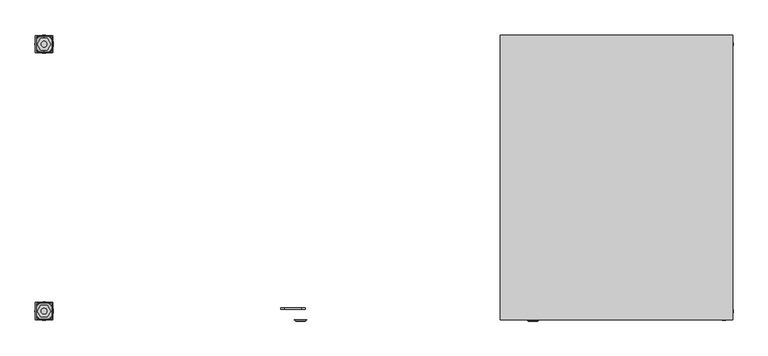
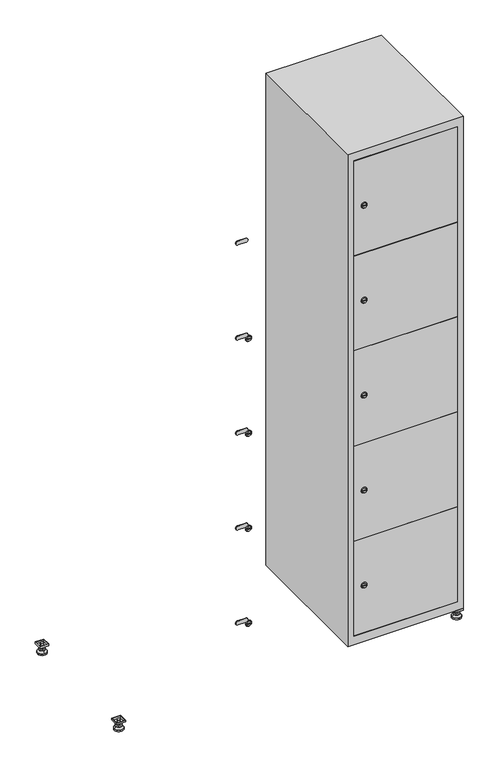
"""IFC4 building model written with IfcOpenShell, lengths in millimetres: furniture geometry."""

from ifc_helpers import new_model, si_unit, point, frame, frame_2d, origin, origin_with_axes, place, context, project, spatial, polyline, circle_curve, trimmed, segment, composite_curve, outline, extrude, faceted_brep, source, transform, mapped, element, save
from ifc_brep_helpers import plane_surface, revolved_surface, advanced_brep


def furniture_0592e2de(model_context):
    return source(origin(), model_context, "Body", "SolidModel", [
        extrude(outline(polyline([(1000.0, 245.0), (1000.0, 215.0), (970.0, 215.0), (970.0, 245.0), (1000.0, 245.0)]), holes=[polyline([(998.0, 243.0), (972.0, 243.0), (972.0, 217.0), (998.0, 217.0), (998.0, 243.0)])]), frame((0.0, 0.0, 28.5), z_axis=(0.0, 0.0, 1.0), x_axis=(1.0, 0.0, 0.0)), (0.0, 0.0, 1.0), 6.5),
        extrude(outline(polyline([(970.0, -245.0), (970.0, -215.0), (1000.0, -215.0), (1000.0, -245.0), (970.0, -245.0)]), holes=[polyline([(972.0, -243.0), (998.0, -243.0), (998.0, -217.0), (972.0, -217.0), (972.0, -243.0)])]), frame((0.0, 0.0, 28.5), z_axis=(0.0, 0.0, 1.0), x_axis=(1.0, 0.0, 0.0)), (0.0, 0.0, 1.0), 6.5),
        extrude(outline(polyline([(-170.0, 245.0), (-170.0, 215.0), (-200.0, 215.0), (-200.0, 245.0), (-170.0, 245.0)]), holes=[polyline([(-172.0, 243.0), (-198.0, 243.0), (-198.0, 217.0), (-172.0, 217.0), (-172.0, 243.0)])]), frame((0.0, 0.0, 28.5), z_axis=(0.0, 0.0, 1.0), x_axis=(1.0, 0.0, 0.0)), (0.0, 0.0, 1.0), 6.5),
        extrude(outline(polyline([(-170.0, -215.0), (-170.0, -245.0), (-200.0, -245.0), (-200.0, -215.0), (-170.0, -215.0)]), holes=[polyline([(-198.0, -243.0), (-172.0, -243.0), (-172.0, -217.0), (-198.0, -217.0), (-198.0, -243.0)])]), frame((0.0, 0.0, 28.5), z_axis=(0.0, 0.0, 1.0), x_axis=(1.0, 0.0, 0.0)), (0.0, 0.0, 1.0), 6.5),
        extrude(outline(composite_curve([segment(trimmed(circle_curve(frame_2d((-185.0, 230.0)), 5.0), [point((-180.0, 230.0))], [point((-190.0, 230.0))], False, "CARTESIAN"), True, "CONTINUOUS"), segment(trimmed(circle_curve(frame_2d((-185.0, 230.0)), 5.0), [point((-190.0, 230.0))], [point((-180.0, 230.0))], False, "CARTESIAN"), True, "CONTINUOUS")], self_intersect=False)), frame((0.0, 0.0, 19.6), z_axis=(0.0, 0.0, 1.0), x_axis=(1.0, 0.0, 0.0)), (0.0, 0.0, 1.0), 15.4),
        extrude(outline(composite_curve([segment(trimmed(circle_curve(frame_2d((-185.0, -230.0)), 5.0), [point((-180.0, -230.0))], [point((-190.0, -230.0))], False, "CARTESIAN"), True, "CONTINUOUS"), segment(trimmed(circle_curve(frame_2d((-185.0, -230.0)), 5.0), [point((-190.0, -230.0))], [point((-180.0, -230.0))], False, "CARTESIAN"), True, "CONTINUOUS")], self_intersect=False)), frame((0.0, 0.0, 19.6), z_axis=(0.0, 0.0, 1.0), x_axis=(1.0, 0.0, 0.0)), (0.0, 0.0, 1.0), 15.4),
        extrude(outline(composite_curve([segment(trimmed(circle_curve(frame_2d((985.0, 230.0)), 5.0), [point((990.0, 230.0))], [point((980.0, 230.0))], False, "CARTESIAN"), True, "CONTINUOUS"), segment(trimmed(circle_curve(frame_2d((985.0, 230.0)), 5.0), [point((980.0, 230.0))], [point((990.0, 230.0))], False, "CARTESIAN"), True, "CONTINUOUS")], self_intersect=False)), frame((0.0, 0.0, 19.6), z_axis=(0.0, 0.0, 1.0), x_axis=(1.0, 0.0, 0.0)), (0.0, 0.0, 1.0), 15.4),
        extrude(outline(polyline([(973.4529946, 230.0), (979.2264973, 240.0), (990.7735027, 240.0), (996.5470054, 230.0), (990.7735027, 220.0), (979.2264973, 220.0), (973.4529946, 230.0)])), frame((0.0, 0.0, 13.6), z_axis=(0.0, 0.0, 1.0), x_axis=(1.0, 0.0, 0.0)), (0.0, 0.0, 1.0), 6.0),
        extrude(outline(composite_curve([segment(trimmed(circle_curve(frame_2d((985.0, -230.0)), 5.0), [point((990.0, -230.0))], [point((980.0, -230.0))], False, "CARTESIAN"), True, "CONTINUOUS"), segment(trimmed(circle_curve(frame_2d((985.0, -230.0)), 5.0), [point((980.0, -230.0))], [point((990.0, -230.0))], False, "CARTESIAN"), True, "CONTINUOUS")], self_intersect=False)), frame((0.0, 0.0, 19.6), z_axis=(0.0, 0.0, 1.0), x_axis=(1.0, 0.0, 0.0)), (0.0, 0.0, 1.0), 15.4),
        extrude(outline(polyline([(973.4529946, -230.0), (979.2264973, -220.0), (990.7735027, -220.0), (996.5470054, -230.0), (990.7735027, -240.0), (979.2264973, -240.0), (973.4529946, -230.0)])), frame((0.0, 0.0, 13.6), z_axis=(0.0, 0.0, 1.0), x_axis=(1.0, 0.0, 0.0)), (0.0, 0.0, 1.0), 6.0),
        extrude(outline(composite_curve([segment(trimmed(circle_curve(frame_2d((985.0, 230.0)), 5.0), [point((990.0, 230.0))], [point((980.0, 230.0))], False, "CARTESIAN"), True, "CONTINUOUS"), segment(trimmed(circle_curve(frame_2d((985.0, 230.0)), 5.0), [point((980.0, 230.0))], [point((990.0, 230.0))], False, "CARTESIAN"), True, "CONTINUOUS")], self_intersect=False)), frame((0.0, 0.0, 12.1), z_axis=(0.0, 0.0, 1.0), x_axis=(1.0, 0.0, 0.0)), (0.0, 0.0, 1.0), 1.5),
        extrude(outline(composite_curve([segment(trimmed(circle_curve(frame_2d((985.0, -230.0)), 5.0), [point((990.0, -230.0))], [point((980.0, -230.0))], False, "CARTESIAN"), True, "CONTINUOUS"), segment(trimmed(circle_curve(frame_2d((985.0, -230.0)), 5.0), [point((980.0, -230.0))], [point((990.0, -230.0))], False, "CARTESIAN"), True, "CONTINUOUS")], self_intersect=False)), frame((0.0, 0.0, 12.1), z_axis=(0.0, 0.0, 1.0), x_axis=(1.0, 0.0, 0.0)), (0.0, 0.0, 1.0), 1.5),
        extrude(outline(polyline([(-196.5470054, 230.0), (-190.7735027, 240.0), (-179.2264973, 240.0), (-173.4529946, 230.0), (-179.2264973, 220.0), (-190.7735027, 220.0), (-196.5470054, 230.0)])), frame((0.0, 0.0, 13.6), z_axis=(0.0, 0.0, 1.0), x_axis=(1.0, 0.0, 0.0)), (0.0, 0.0, 1.0), 6.0),
        extrude(outline(polyline([(-196.5470054, -230.0), (-190.7735027, -220.0), (-179.2264973, -220.0), (-173.4529946, -230.0), (-179.2264973, -240.0), (-190.7735027, -240.0), (-196.5470054, -230.0)])), frame((0.0, 0.0, 13.6), z_axis=(0.0, 0.0, 1.0), x_axis=(1.0, 0.0, 0.0)), (0.0, 0.0, 1.0), 6.0),
        extrude(outline(composite_curve([segment(trimmed(circle_curve(frame_2d((-185.0, 230.0)), 5.0), [point((-185.0, 235.0))], [point((-185.0, 225.0))], False, "CARTESIAN"), True, "CONTINUOUS"), segment(trimmed(circle_curve(frame_2d((-185.0, 230.0)), 5.0), [point((-185.0, 225.0))], [point((-185.0, 235.0))], False, "CARTESIAN"), True, "CONTINUOUS")], self_intersect=False)), frame((0.0, 0.0, 12.1), z_axis=(0.0, 0.0, 1.0), x_axis=(1.0, 0.0, 0.0)), (0.0, 0.0, 1.0), 1.5),
        extrude(outline(composite_curve([segment(trimmed(circle_curve(frame_2d((-185.0, -230.0)), 5.0), [point((-180.0, -230.0))], [point((-190.0, -230.0))], False, "CARTESIAN"), True, "CONTINUOUS"), segment(trimmed(circle_curve(frame_2d((-185.0, -230.0)), 5.0), [point((-190.0, -230.0))], [point((-180.0, -230.0))], False, "CARTESIAN"), True, "CONTINUOUS")], self_intersect=False)), frame((0.0, 0.0, 12.1), z_axis=(0.0, 0.0, 1.0), x_axis=(1.0, 0.0, 0.0)), (0.0, 0.0, 1.0), 1.5),
        extrude(outline(composite_curve([segment(trimmed(circle_curve(frame_2d((985.0, 230.0)), 15.75), [point((1000.75, 230.0))], [point((969.25, 230.0))], False, "CARTESIAN"), True, "CONTINUOUS"), segment(trimmed(circle_curve(frame_2d((985.0, 230.0)), 15.75), [point((969.25, 230.0))], [point((1000.75, 230.0))], False, "CARTESIAN"), True, "CONTINUOUS")], self_intersect=False)), origin_with_axes(), (0.0, 0.0, 1.0), 5.1),
        extrude(outline(composite_curve([segment(trimmed(circle_curve(frame_2d((985.0, -230.0)), 15.75), [point((985.0, -214.25))], [point((985.0, -245.75))], False, "CARTESIAN"), True, "CONTINUOUS"), segment(trimmed(circle_curve(frame_2d((985.0, -230.0)), 15.75), [point((985.0, -245.75))], [point((985.0, -214.25))], False, "CARTESIAN"), True, "CONTINUOUS")], self_intersect=False)), origin_with_axes(), (0.0, 0.0, 1.0), 5.1),
        extrude(outline(composite_curve([segment(trimmed(circle_curve(frame_2d((-185.0, -230.0)), 15.75), [point((-169.25, -230.0))], [point((-200.75, -230.0))], False, "CARTESIAN"), True, "CONTINUOUS"), segment(trimmed(circle_curve(frame_2d((-185.0, -230.0)), 15.75), [point((-200.75, -230.0))], [point((-169.25, -230.0))], False, "CARTESIAN"), True, "CONTINUOUS")], self_intersect=False)), origin_with_axes(), (0.0, 0.0, 1.0), 5.1),
        extrude(outline(composite_curve([segment(trimmed(circle_curve(frame_2d((-185.0, 230.0)), 15.75), [point((-169.25, 230.0))], [point((-200.75, 230.0))], False, "CARTESIAN"), True, "CONTINUOUS"), segment(trimmed(circle_curve(frame_2d((-185.0, 230.0)), 15.75), [point((-200.75, 230.0))], [point((-169.25, 230.0))], False, "CARTESIAN"), True, "CONTINUOUS")], self_intersect=False)), origin_with_axes(), (0.0, 0.0, 1.0), 5.1),
        advanced_brep(
        [(-185.0, 245.75, 5.1), (-185.0, 214.25, 5.1), (-185.0, 239.5, 12.1), (-185.0, 220.5, 12.1)],
        [
            (0, 1, circle_curve(frame((-185.0, 230.0, 5.1), z_axis=(0.0, 0.0, -1.0), x_axis=(0.0, 1.0, 0.0)), 15.75)),
            (1, 0, circle_curve(frame((-185.0, 230.0, 5.1), z_axis=(0.0, 0.0, -1.0), x_axis=(0.0, -1.0, 0.0)), 15.75)),
            (2, 3, circle_curve(frame((-185.0, 230.0, 12.1), z_axis=(0.0, 0.0, 1.0), x_axis=(0.0, -1.0, 0.0)), 9.5)),
            (3, 2, circle_curve(frame((-185.0, 230.0, 12.1), z_axis=(0.0, 0.0, 1.0), x_axis=(0.0, 1.0, 0.0)), 9.5)),
            (3, 1),
            (0, 2),
        ],
        [
            plane_surface(frame((-185.0, 230.0, 5.1), z_axis=(0.0, 0.0, -1.0), x_axis=(1.0, 0.0, 0.0))),
            plane_surface(frame((-185.0, 230.0, 12.1), z_axis=(0.0, 0.0, 1.0), x_axis=(1.0, 0.0, 0.0))),
            revolved_surface(polyline([(-185.0, 220.5, 12.099999999999998), (-185.0, 214.25, 5.099999999999998)]), (-185.0, 230.0, 22.74), (0.0, 0.0, -1.0)),
            revolved_surface(polyline([(-185.0, 239.5, 12.099999999999998), (-185.0, 245.75, 5.099999999999998)]), (-185.0, 230.0, 22.74), (0.0, 0.0, -1.0)),
        ],
        [
            (0, [[1, 2]]),
            (1, [[3, 4]]),
            (2, [[-4, 5, -1, 6]]),
            (3, [[-3, -6, -2, -5]]),
        ],
    ),
        advanced_brep(
        [(985.0, 245.75, 5.1), (985.0, 214.25, 5.1), (985.0, 239.5, 12.1), (985.0, 220.5, 12.1)],
        [
            (0, 1, circle_curve(frame((985.0, 230.0, 5.1), z_axis=(0.0, 0.0, -1.0), x_axis=(0.0, 1.0, 0.0)), 15.75)),
            (1, 0, circle_curve(frame((985.0, 230.0, 5.1), z_axis=(0.0, 0.0, -1.0), x_axis=(0.0, -1.0, 0.0)), 15.75)),
            (2, 3, circle_curve(frame((985.0, 230.0, 12.1), z_axis=(0.0, 0.0, 1.0), x_axis=(0.0, -1.0, 0.0)), 9.5)),
            (3, 2, circle_curve(frame((985.0, 230.0, 12.1), z_axis=(0.0, 0.0, 1.0), x_axis=(0.0, 1.0, 0.0)), 9.5)),
            (3, 1),
            (0, 2),
        ],
        [
            plane_surface(frame((985.0, 230.0, 5.1), z_axis=(0.0, 0.0, -1.0), x_axis=(1.0, 0.0, 0.0))),
            plane_surface(frame((985.0, 230.0, 12.1), z_axis=(0.0, 0.0, 1.0), x_axis=(1.0, 0.0, 0.0))),
            revolved_surface(polyline([(985.0, 220.5, 12.099999999999998), (985.0, 214.25, 5.099999999999998)]), (985.0, 230.0, 22.74), (0.0, 0.0, -1.0)),
            revolved_surface(polyline([(985.0, 239.5, 12.099999999999998), (985.0, 245.75, 5.099999999999998)]), (985.0, 230.0, 22.74), (0.0, 0.0, -1.0)),
        ],
        [
            (0, [[1, 2]]),
            (1, [[3, 4]]),
            (2, [[-4, 5, -1, 6]]),
            (3, [[-3, -6, -2, -5]]),
        ],
    ),
        advanced_brep(
        [(994.5, -230.0, 12.1), (975.5, -230.0, 12.1), (1000.75, -230.0, 5.1), (969.25, -230.0, 5.1)],
        [
            (0, 1, circle_curve(frame((985.0, -230.0, 12.1), z_axis=(0.0, 0.0, 1.0), x_axis=(1.0, 0.0, 0.0)), 9.5)),
            (1, 0, circle_curve(frame((985.0, -230.0, 12.1), z_axis=(0.0, 0.0, 1.0), x_axis=(-1.0, 0.0, 0.0)), 9.5)),
            (2, 3, circle_curve(frame((985.0, -230.0, 5.1), z_axis=(0.0, 0.0, -1.0), x_axis=(-1.0, 0.0, 0.0)), 15.75)),
            (3, 2, circle_curve(frame((985.0, -230.0, 5.1), z_axis=(0.0, 0.0, -1.0), x_axis=(1.0, 0.0, 0.0)), 15.75)),
            (3, 1),
            (0, 2),
        ],
        [
            plane_surface(frame((985.0, -230.0, 12.1), z_axis=(0.0, 0.0, 1.0), x_axis=(0.0, 1.0, 0.0))),
            plane_surface(frame((985.0, -230.0, 5.1), z_axis=(0.0, 0.0, -1.0), x_axis=(0.0, 1.0, 0.0))),
            revolved_surface(polyline([(994.5, -230.0, 12.099999999999998), (1000.75, -230.0, 5.099999999999998)]), (985.0, -230.0, 22.74), (0.0, 0.0, -1.0)),
            revolved_surface(polyline([(975.5, -230.0, 12.099999999999998), (969.25, -230.0, 5.099999999999998)]), (985.0, -230.0, 22.74), (0.0, 0.0, -1.0)),
        ],
        [
            (0, [[1, 2]]),
            (1, [[3, 4]]),
            (2, [[-4, 5, -1, 6]]),
            (3, [[-3, -6, -2, -5]]),
        ],
    ),
        advanced_brep(
        [(-175.5, -230.0, 12.1), (-194.5, -230.0, 12.1), (-169.25, -230.0, 5.1), (-200.75, -230.0, 5.1)],
        [
            (0, 1, circle_curve(frame((-185.0, -230.0, 12.1), z_axis=(0.0, 0.0, 1.0), x_axis=(1.0, 0.0, 0.0)), 9.5)),
            (1, 0, circle_curve(frame((-185.0, -230.0, 12.1), z_axis=(0.0, 0.0, 1.0), x_axis=(-1.0, 0.0, 0.0)), 9.5)),
            (2, 3, circle_curve(frame((-185.0, -230.0, 5.1), z_axis=(0.0, 0.0, -1.0), x_axis=(-1.0, 0.0, 0.0)), 15.75)),
            (3, 2, circle_curve(frame((-185.0, -230.0, 5.1), z_axis=(0.0, 0.0, -1.0), x_axis=(1.0, 0.0, 0.0)), 15.75)),
            (3, 1),
            (0, 2),
        ],
        [
            plane_surface(frame((-185.0, -230.0, 12.1), z_axis=(0.0, 0.0, 1.0), x_axis=(0.0, 1.0, 0.0))),
            plane_surface(frame((-185.0, -230.0, 5.1), z_axis=(0.0, 0.0, -1.0), x_axis=(0.0, 1.0, 0.0))),
            revolved_surface(polyline([(-175.5, -230.0, 12.099999999999998), (-169.25, -230.0, 5.099999999999998)]), (-185.0, -230.0, 22.74), (0.0, 0.0, -1.0)),
            revolved_surface(polyline([(-194.5, -230.0, 12.099999999999998), (-200.75, -230.0, 5.099999999999998)]), (-185.0, -230.0, 22.74), (0.0, 0.0, -1.0)),
        ],
        [
            (0, [[1, 2]]),
            (1, [[3, 4]]),
            (2, [[-4, 5, -1, 6]]),
            (3, [[-3, -6, -2, -5]]),
        ],
    ),
        extrude(outline(composite_curve([segment(trimmed(circle_curve(frame_2d((239.96, 629.6010534)), 7.0), [point((246.96, 629.6010534))], [point((232.96, 629.6010534))], False, "CARTESIAN"), True, "CONTINUOUS"), segment(polyline([(232.96, 629.6010534), (232.96, 657.6010534)]), True, "CONTINUOUS"), segment(trimmed(circle_curve(frame_2d((239.96, 657.6010534)), 7.0), [point((232.96, 657.6010534))], [point((246.96, 657.6010534))], False, "CARTESIAN"), True, "CONTINUOUS"), segment(polyline([(246.96, 657.6010534), (246.96, 629.6010534)]), True, "CONTINUOUS")], self_intersect=False)), frame((0.0, -227.0, 0.0), z_axis=(0.0, 1.0, 0.0), x_axis=(0.0, 0.0, 1.0)), (0.0, 0.0, 1.0), 2.0),
        advanced_brep(
        [(664.9, -247.2, 239.96), (647.9, -247.2, 239.96), (651.4, -247.2, 238.71), (651.4, -247.2, 241.21), (661.4, -247.2, 241.21), (661.4, -247.2, 238.71), (666.9, -245.0, 239.96), (645.9, -245.0, 239.96), (651.4, -245.0, 241.21), (651.4, -245.0, 238.71), (661.4, -245.0, 238.71), (661.4, -245.0, 241.21)],
        [
            (0, 1, circle_curve(frame((656.4, -247.2, 239.96), z_axis=(0.0, -1.0, 0.0), x_axis=(1.0, 0.0, 0.0)), 8.5)),
            (1, 0, circle_curve(frame((656.4, -247.2, 239.96), z_axis=(0.0, -1.0, 0.0), x_axis=(-1.0, 0.0, 0.0)), 8.5)),
            (2, 3),
            (3, 4),
            (4, 5),
            (5, 2),
            (6, 7, circle_curve(frame((656.4, -245.0, 239.96), z_axis=(0.0, 1.0, 0.0), x_axis=(-1.0, 0.0, 0.0)), 10.5)),
            (7, 6, circle_curve(frame((656.4, -245.0, 239.96), z_axis=(0.0, 1.0, 0.0), x_axis=(1.0, 0.0, 0.0)), 10.5)),
            (8, 9),
            (9, 10),
            (10, 11),
            (11, 8),
            (0, 6),
            (7, 1),
            (8, 3),
            (2, 9),
            (11, 4),
            (10, 5),
        ],
        [
            plane_surface(frame((656.4, -247.2, 239.96), z_axis=(0.0, -1.0, 0.0), x_axis=(0.0, 0.0, 1.0))),
            plane_surface(frame((656.4, -245.0, 239.96), z_axis=(0.0, 1.0, 0.0), x_axis=(0.0, 0.0, 1.0))),
            revolved_surface(polyline([(664.9, -247.2, 239.96), (666.9, -245.0, 239.96)]), (656.4, -256.55, 239.96), (0.0, 1.0, 0.0)),
            revolved_surface(polyline([(647.9, -247.2, 239.96), (645.9, -245.0, 239.96)]), (656.4, -256.55, 239.96), (0.0, 1.0, 0.0)),
            plane_surface(frame((651.4, -245.0, 238.71), z_axis=(1.0, 0.0, 0.0), x_axis=(0.0, -1.0, 0.0))),
            plane_surface(frame((651.4, -245.0, 241.21), z_axis=(0.0, 0.0, -1.0), x_axis=(0.0, -1.0, 0.0))),
            plane_surface(frame((661.4, -245.0, 241.21), z_axis=(-1.0, 0.0, 0.0), x_axis=(0.0, -1.0, 0.0))),
            plane_surface(frame((661.4, -245.0, 238.71), z_axis=(0.0, 0.0, 1.0), x_axis=(0.0, -1.0, 0.0))),
        ],
        [
            (0, [[1, 2], [3, 4, 5, 6]]),
            (1, [[7, 8], [9, 10, 11, 12]]),
            (2, [[-1, 13, -8, 14]]),
            (3, [[-2, -14, -7, -13]]),
            (4, [[15, -3, 16, -9]]),
            (5, [[-15, -12, 17, -4]]),
            (6, [[-17, -11, 18, -5]]),
            (7, [[-16, -6, -18, -10]]),
        ],
    ),
        extrude(outline(composite_curve([segment(trimmed(circle_curve(frame_2d((587.48, 629.6010534)), 7.0), [point((594.48, 629.6010534))], [point((580.48, 629.6010534))], False, "CARTESIAN"), True, "CONTINUOUS"), segment(polyline([(580.48, 629.6010534), (580.48, 657.6010534)]), True, "CONTINUOUS"), segment(trimmed(circle_curve(frame_2d((587.48, 657.6010534)), 7.0), [point((580.48, 657.6010534))], [point((594.48, 657.6010534))], False, "CARTESIAN"), True, "CONTINUOUS"), segment(polyline([(594.48, 657.6010534), (594.48, 629.6010534)]), True, "CONTINUOUS")], self_intersect=False)), frame((0.0, -227.0, 0.0), z_axis=(0.0, 1.0, 0.0), x_axis=(0.0, 0.0, 1.0)), (0.0, 0.0, 1.0), 2.0),
        advanced_brep(
        [(664.9, -247.2, 587.48), (647.9, -247.2, 587.48), (651.4, -247.2, 586.23), (651.4, -247.2, 588.73), (661.4, -247.2, 588.73), (661.4, -247.2, 586.23), (666.9, -245.0, 587.48), (645.9, -245.0, 587.48), (651.4, -245.0, 588.73), (651.4, -245.0, 586.23), (661.4, -245.0, 586.23), (661.4, -245.0, 588.73)],
        [
            (0, 1, circle_curve(frame((656.4, -247.2, 587.48), z_axis=(0.0, -1.0, 0.0), x_axis=(1.0, 0.0, 0.0)), 8.5)),
            (1, 0, circle_curve(frame((656.4, -247.2, 587.48), z_axis=(0.0, -1.0, 0.0), x_axis=(-1.0, 0.0, 0.0)), 8.5)),
            (2, 3),
            (3, 4),
            (4, 5),
            (5, 2),
            (6, 7, circle_curve(frame((656.4, -245.0, 587.48), z_axis=(0.0, 1.0, 0.0), x_axis=(-1.0, 0.0, 0.0)), 10.5)),
            (7, 6, circle_curve(frame((656.4, -245.0, 587.48), z_axis=(0.0, 1.0, 0.0), x_axis=(1.0, 0.0, 0.0)), 10.5)),
            (8, 9),
            (9, 10),
            (10, 11),
            (11, 8),
            (0, 6),
            (7, 1),
            (8, 3),
            (2, 9),
            (11, 4),
            (10, 5),
        ],
        [
            plane_surface(frame((656.4, -247.2, 587.48), z_axis=(0.0, -1.0, 0.0), x_axis=(0.0, 0.0, 1.0))),
            plane_surface(frame((656.4, -245.0, 587.48), z_axis=(0.0, 1.0, 0.0), x_axis=(0.0, 0.0, 1.0))),
            revolved_surface(polyline([(664.9, -247.2, 587.48), (666.9, -245.0, 587.48)]), (656.4, -256.55, 587.48), (0.0, 1.0, 0.0)),
            revolved_surface(polyline([(647.9, -247.2, 587.48), (645.9, -245.0, 587.48)]), (656.4, -256.55, 587.48), (0.0, 1.0, 0.0)),
            plane_surface(frame((651.4, -245.0, 586.23), z_axis=(1.0, 0.0, 0.0), x_axis=(0.0, -1.0, 0.0))),
            plane_surface(frame((651.4, -245.0, 588.73), z_axis=(0.0, 0.0, -1.0), x_axis=(0.0, -1.0, 0.0))),
            plane_surface(frame((661.4, -245.0, 588.73), z_axis=(-1.0, 0.0, 0.0), x_axis=(0.0, -1.0, 0.0))),
            plane_surface(frame((661.4, -245.0, 586.23), z_axis=(0.0, 0.0, 1.0), x_axis=(0.0, -1.0, 0.0))),
        ],
        [
            (0, [[1, 2], [3, 4, 5, 6]]),
            (1, [[7, 8], [9, 10, 11, 12]]),
            (2, [[-1, 13, -8, 14]]),
            (3, [[-2, -14, -7, -13]]),
            (4, [[15, -3, 16, -9]]),
            (5, [[-15, -12, 17, -4]]),
            (6, [[-17, -11, 18, -5]]),
            (7, [[-16, -6, -18, -10]]),
        ],
    ),
        extrude(outline(composite_curve([segment(trimmed(circle_curve(frame_2d((935.0, 629.6010534)), 7.0), [point((942.0, 629.6010534))], [point((928.0, 629.6010534))], False, "CARTESIAN"), True, "CONTINUOUS"), segment(polyline([(928.0, 629.6010534), (928.0, 657.6010534)]), True, "CONTINUOUS"), segment(trimmed(circle_curve(frame_2d((935.0, 657.6010534)), 7.0), [point((928.0, 657.6010534))], [point((942.0, 657.6010534))], False, "CARTESIAN"), True, "CONTINUOUS"), segment(polyline([(942.0, 657.6010534), (942.0, 629.6010534)]), True, "CONTINUOUS")], self_intersect=False)), frame((0.0, -227.0, 0.0), z_axis=(0.0, 1.0, 0.0), x_axis=(0.0, 0.0, 1.0)), (0.0, 0.0, 1.0), 2.0),
        advanced_brep(
        [(664.9, -247.2, 935.0), (647.9, -247.2, 935.0), (651.4, -247.2, 933.75), (651.4, -247.2, 936.25), (661.4, -247.2, 936.25), (661.4, -247.2, 933.75), (666.9, -245.0, 935.0), (645.9, -245.0, 935.0), (651.4, -245.0, 936.25), (651.4, -245.0, 933.75), (661.4, -245.0, 933.75), (661.4, -245.0, 936.25)],
        [
            (0, 1, circle_curve(frame((656.4, -247.2, 935.0), z_axis=(0.0, -1.0, 0.0), x_axis=(1.0, 0.0, 0.0)), 8.5)),
            (1, 0, circle_curve(frame((656.4, -247.2, 935.0), z_axis=(0.0, -1.0, 0.0), x_axis=(-1.0, 0.0, 0.0)), 8.5)),
            (2, 3),
            (3, 4),
            (4, 5),
            (5, 2),
            (6, 7, circle_curve(frame((656.4, -245.0, 935.0), z_axis=(0.0, 1.0, 0.0), x_axis=(-1.0, 0.0, 0.0)), 10.5)),
            (7, 6, circle_curve(frame((656.4, -245.0, 935.0), z_axis=(0.0, 1.0, 0.0), x_axis=(1.0, 0.0, 0.0)), 10.5)),
            (8, 9),
            (9, 10),
            (10, 11),
            (11, 8),
            (0, 6),
            (7, 1),
            (8, 3),
            (2, 9),
            (11, 4),
            (10, 5),
        ],
        [
            plane_surface(frame((656.4, -247.2, 935.0), z_axis=(0.0, -1.0, 0.0), x_axis=(0.0, 0.0, 1.0))),
            plane_surface(frame((656.4, -245.0, 935.0), z_axis=(0.0, 1.0, 0.0), x_axis=(0.0, 0.0, 1.0))),
            revolved_surface(polyline([(664.9, -247.2, 935.0), (666.9, -245.0, 935.0)]), (656.4, -256.55, 935.0), (0.0, 1.0, 0.0)),
            revolved_surface(polyline([(647.9, -247.2, 935.0), (645.9, -245.0, 935.0)]), (656.4, -256.55, 935.0), (0.0, 1.0, 0.0)),
            plane_surface(frame((651.4, -245.0, 933.75), z_axis=(1.0, 0.0, 0.0), x_axis=(0.0, -1.0, 0.0))),
            plane_surface(frame((651.4, -245.0, 936.25), z_axis=(0.0, 0.0, -1.0), x_axis=(0.0, -1.0, 0.0))),
            plane_surface(frame((661.4, -245.0, 936.25), z_axis=(-1.0, 0.0, 0.0), x_axis=(0.0, -1.0, 0.0))),
            plane_surface(frame((661.4, -245.0, 933.75), z_axis=(0.0, 0.0, 1.0), x_axis=(0.0, -1.0, 0.0))),
        ],
        [
            (0, [[1, 2], [3, 4, 5, 6]]),
            (1, [[7, 8], [9, 10, 11, 12]]),
            (2, [[-1, 13, -8, 14]]),
            (3, [[-2, -14, -7, -13]]),
            (4, [[15, -3, 16, -9]]),
            (5, [[-15, -12, 17, -4]]),
            (6, [[-17, -11, 18, -5]]),
            (7, [[-16, -6, -18, -10]]),
        ],
    ),
        extrude(outline(composite_curve([segment(trimmed(circle_curve(frame_2d((1282.52, 629.6010534)), 7.0), [point((1289.52, 629.6010534))], [point((1275.52, 629.6010534))], False, "CARTESIAN"), True, "CONTINUOUS"), segment(polyline([(1275.52, 629.6010534), (1275.52, 657.6010534)]), True, "CONTINUOUS"), segment(trimmed(circle_curve(frame_2d((1282.52, 657.6010534)), 7.0), [point((1275.52, 657.6010534))], [point((1289.52, 657.6010534))], False, "CARTESIAN"), True, "CONTINUOUS"), segment(polyline([(1289.52, 657.6010534), (1289.52, 629.6010534)]), True, "CONTINUOUS")], self_intersect=False)), frame((0.0, -227.0, 0.0), z_axis=(0.0, 1.0, 0.0), x_axis=(0.0, 0.0, 1.0)), (0.0, 0.0, 1.0), 2.0),
        advanced_brep(
        [(664.9, -247.2, 1282.52), (647.9, -247.2, 1282.52), (651.4, -247.2, 1281.27), (651.4, -247.2, 1283.77), (661.4, -247.2, 1283.77), (661.4, -247.2, 1281.27), (666.9, -245.0, 1282.52), (645.9, -245.0, 1282.52), (651.4, -245.0, 1283.77), (651.4, -245.0, 1281.27), (661.4, -245.0, 1281.27), (661.4, -245.0, 1283.77)],
        [
            (0, 1, circle_curve(frame((656.4, -247.2, 1282.52), z_axis=(0.0, -1.0, 0.0), x_axis=(1.0, 0.0, 0.0)), 8.5)),
            (1, 0, circle_curve(frame((656.4, -247.2, 1282.52), z_axis=(0.0, -1.0, 0.0), x_axis=(-1.0, 0.0, 0.0)), 8.5)),
            (2, 3),
            (3, 4),
            (4, 5),
            (5, 2),
            (6, 7, circle_curve(frame((656.4, -245.0, 1282.52), z_axis=(0.0, 1.0, 0.0), x_axis=(-1.0, 0.0, 0.0)), 10.5)),
            (7, 6, circle_curve(frame((656.4, -245.0, 1282.52), z_axis=(0.0, 1.0, 0.0), x_axis=(1.0, 0.0, 0.0)), 10.5)),
            (8, 9),
            (9, 10),
            (10, 11),
            (11, 8),
            (0, 6),
            (7, 1),
            (8, 3),
            (2, 9),
            (11, 4),
            (10, 5),
        ],
        [
            plane_surface(frame((656.4, -247.2, 1282.52), z_axis=(0.0, -1.0, 0.0), x_axis=(0.0, 0.0, 1.0))),
            plane_surface(frame((656.4, -245.0, 1282.52), z_axis=(0.0, 1.0, 0.0), x_axis=(0.0, 0.0, 1.0))),
            revolved_surface(polyline([(664.9, -247.2, 1282.52), (666.9, -245.0, 1282.52)]), (656.4, -256.55, 1282.52), (0.0, 1.0, 0.0)),
            revolved_surface(polyline([(647.9, -247.2, 1282.52), (645.9, -245.0, 1282.52)]), (656.4, -256.55, 1282.52), (0.0, 1.0, 0.0)),
            plane_surface(frame((651.4, -245.0, 1281.27), z_axis=(1.0, 0.0, 0.0), x_axis=(0.0, -1.0, 0.0))),
            plane_surface(frame((651.4, -245.0, 1283.77), z_axis=(0.0, 0.0, -1.0), x_axis=(0.0, -1.0, 0.0))),
            plane_surface(frame((661.4, -245.0, 1283.77), z_axis=(-1.0, 0.0, 0.0), x_axis=(0.0, -1.0, 0.0))),
            plane_surface(frame((661.4, -245.0, 1281.27), z_axis=(0.0, 0.0, 1.0), x_axis=(0.0, -1.0, 0.0))),
        ],
        [
            (0, [[1, 2], [3, 4, 5, 6]]),
            (1, [[7, 8], [9, 10, 11, 12]]),
            (2, [[-1, 13, -8, 14]]),
            (3, [[-2, -14, -7, -13]]),
            (4, [[15, -3, 16, -9]]),
            (5, [[-15, -12, 17, -4]]),
            (6, [[-17, -11, 18, -5]]),
            (7, [[-16, -6, -18, -10]]),
        ],
    ),
        extrude(outline(composite_curve([segment(trimmed(circle_curve(frame_2d((1630.04, 629.6010534)), 7.0), [point((1637.04, 629.6010534))], [point((1623.04, 629.6010534))], False, "CARTESIAN"), True, "CONTINUOUS"), segment(polyline([(1623.04, 629.6010534), (1623.04, 657.6010534)]), True, "CONTINUOUS"), segment(trimmed(circle_curve(frame_2d((1630.04, 657.6010534)), 7.0), [point((1623.04, 657.6010534))], [point((1637.04, 657.6010534))], False, "CARTESIAN"), True, "CONTINUOUS"), segment(polyline([(1637.04, 657.6010534), (1637.04, 629.6010534)]), True, "CONTINUOUS")], self_intersect=False)), frame((0.0, -227.0, 0.0), z_axis=(0.0, 1.0, 0.0), x_axis=(0.0, 0.0, 1.0)), (0.0, 0.0, 1.0), 2.0),
        advanced_brep(
        [(664.9, -247.2, 1630.04), (647.9, -247.2, 1630.04), (651.4, -247.2, 1628.79), (651.4, -247.2, 1631.29), (661.4, -247.2, 1631.29), (661.4, -247.2, 1628.79), (666.9, -245.0, 1630.04), (645.9, -245.0, 1630.04), (651.4, -245.0, 1631.29), (651.4, -245.0, 1628.79), (661.4, -245.0, 1628.79), (661.4, -245.0, 1631.29)],
        [
            (0, 1, circle_curve(frame((656.4, -247.2, 1630.04), z_axis=(0.0, -1.0, 0.0), x_axis=(1.0, 0.0, 0.0)), 8.5)),
            (1, 0, circle_curve(frame((656.4, -247.2, 1630.04), z_axis=(0.0, -1.0, 0.0), x_axis=(-1.0, 0.0, 0.0)), 8.5)),
            (2, 3),
            (3, 4),
            (4, 5),
            (5, 2),
            (6, 7, circle_curve(frame((656.4, -245.0, 1630.04), z_axis=(0.0, 1.0, 0.0), x_axis=(-1.0, 0.0, 0.0)), 10.5)),
            (7, 6, circle_curve(frame((656.4, -245.0, 1630.04), z_axis=(0.0, 1.0, 0.0), x_axis=(1.0, 0.0, 0.0)), 10.5)),
            (8, 9),
            (9, 10),
            (10, 11),
            (11, 8),
            (0, 6),
            (7, 1),
            (8, 3),
            (2, 9),
            (11, 4),
            (10, 5),
        ],
        [
            plane_surface(frame((656.4, -247.2, 1630.04), z_axis=(0.0, -1.0, 0.0), x_axis=(0.0, 0.0, 1.0))),
            plane_surface(frame((656.4, -245.0, 1630.04), z_axis=(0.0, 1.0, 0.0), x_axis=(0.0, 0.0, 1.0))),
            revolved_surface(polyline([(664.9, -247.2, 1630.04), (666.9, -245.0, 1630.04)]), (656.4, -256.55, 1630.04), (0.0, 1.0, 0.0)),
            revolved_surface(polyline([(647.9, -247.2, 1630.04), (645.9, -245.0, 1630.04)]), (656.4, -256.55, 1630.04), (0.0, 1.0, 0.0)),
            plane_surface(frame((651.4, -245.0, 1628.79), z_axis=(1.0, 0.0, 0.0), x_axis=(0.0, -1.0, 0.0))),
            plane_surface(frame((651.4, -245.0, 1631.29), z_axis=(0.0, 0.0, -1.0), x_axis=(0.0, -1.0, 0.0))),
            plane_surface(frame((661.4, -245.0, 1631.29), z_axis=(-1.0, 0.0, 0.0), x_axis=(0.0, -1.0, 0.0))),
            plane_surface(frame((661.4, -245.0, 1628.79), z_axis=(0.0, 0.0, 1.0), x_axis=(0.0, -1.0, 0.0))),
        ],
        [
            (0, [[1, 2], [3, 4, 5, 6]]),
            (1, [[7, 8], [9, 10, 11, 12]]),
            (2, [[-1, 13, -8, 14]]),
            (3, [[-2, -14, -7, -13]]),
            (4, [[15, -3, 16, -9]]),
            (5, [[-15, -12, 17, -4]]),
            (6, [[-17, -11, 18, -5]]),
            (7, [[-16, -6, -18, -10]]),
        ],
    ),
        extrude(outline(polyline([(978.6, -227.0), (978.6, -245.0), (621.4, -245.0), (621.4, -227.0), (978.6, -227.0)])), frame((0.0, 0.0, 760.74), z_axis=(0.0, 0.0, 1.0), x_axis=(1.0, 0.0, 0.0)), (0.0, 0.0, 1.0), 348.52),
        extrude(outline(polyline([(978.6, -227.0), (978.6, -245.0), (621.4, -245.0), (621.4, -227.0), (978.6, -227.0)])), frame((0.0, 0.0, 413.22), z_axis=(0.0, 0.0, 1.0), x_axis=(1.0, 0.0, 0.0)), (0.0, 0.0, 1.0), 348.52),
        extrude(outline(polyline([(978.6, -227.0), (978.6, -245.0), (621.4, -245.0), (621.4, -227.0), (978.6, -227.0)])), frame((0.0, 0.0, 1108.26), z_axis=(0.0, 0.0, 1.0), x_axis=(1.0, 0.0, 0.0)), (0.0, 0.0, 1.0), 347.52),
        extrude(outline(polyline([(621.4, -245.0), (621.4, -227.0), (978.6, -227.0), (978.6, -245.0), (621.4, -245.0)])), frame((0.0, 0.0, 1456.78), z_axis=(0.0, 0.0, 1.0), x_axis=(1.0, 0.0, 0.0)), (0.0, 0.0, 1.0), 347.02),
        extrude(outline(polyline([(978.6, -227.0), (978.6, -245.0), (621.4, -245.0), (621.4, -227.0), (978.6, -227.0)])), frame((0.0, 0.0, 66.2), z_axis=(0.0, 0.0, 1.0), x_axis=(1.0, 0.0, 0.0)), (0.0, 0.0, 1.0), 348.02),
        extrude(outline(polyline([(979.6, 242.0), (979.6, -227.0), (620.4, -227.0), (620.4, 242.0), (979.6, 242.0)])), frame((0.0, 0.0, 1446.68), z_axis=(0.0, 0.0, 1.0), x_axis=(1.0, 0.0, 0.0)), (0.0, 0.0, 1.0), 20.4),
        extrude(outline(polyline([(979.6, 242.0), (979.6, -227.0), (620.4, -227.0), (620.4, 242.0), (979.6, 242.0)])), frame((0.0, 0.0, 1098.76), z_axis=(0.0, 0.0, 1.0), x_axis=(1.0, 0.0, 0.0)), (0.0, 0.0, 1.0), 20.4),
        extrude(outline(polyline([(979.6, 242.0), (979.6, -227.0), (620.4, -227.0), (620.4, 242.0), (979.6, 242.0)])), frame((0.0, 0.0, 750.84), z_axis=(0.0, 0.0, 1.0), x_axis=(1.0, 0.0, 0.0)), (0.0, 0.0, 1.0), 20.4),
        extrude(outline(polyline([(620.4, 242.0), (979.6, 242.0), (979.6, -227.0), (620.4, -227.0), (620.4, 242.0)])), frame((0.0, 0.0, 402.92), z_axis=(0.0, 0.0, 1.0), x_axis=(1.0, 0.0, 0.0)), (0.0, 0.0, 1.0), 20.4),
        faceted_brep([(1000.0, -245.0, 35.0), (1000.0, -245.0, 1835.0), (600.0, -245.0, 1835.0), (600.0, -245.0, 35.0), (979.6, -245.0, 1804.8), (979.6, -245.0, 65.2), (620.4, -245.0, 65.2), (620.4, -245.0, 1804.8), (1000.0, 245.0, 35.0), (600.0, 245.0, 35.0), (1000.0, 245.0, 1835.0), (600.0, 245.0, 1835.0), (979.6, 242.0, 1804.8), (979.6, 242.0, 65.2), (600.0, 245.0, 1804.8), (620.4, 242.0, 1804.8), (620.4, 242.0, 65.2)], [[[0, 1, 2, 3], [4, 5, 6, 7]], [[8, 0, 3, 9]], [[1, 0, 8, 10]], [[1, 10, 11, 2]], [[4, 12, 13, 5]], [[9, 3, 2, 11, 14]], [[10, 8, 9, 14, 11]], [[12, 15, 16, 13]], [[15, 7, 6, 16]], [[4, 7, 15, 12]], [[6, 5, 13, 16]]]),
        extrude(outline(composite_curve([segment(trimmed(circle_curve(frame_2d((239.96, 229.6010534)), 7.0), [point((246.96, 229.6010534))], [point((232.96, 229.6010534))], False, "CARTESIAN"), True, "CONTINUOUS"), segment(polyline([(232.96, 229.6010534), (232.96, 257.6010534)]), True, "CONTINUOUS"), segment(trimmed(circle_curve(frame_2d((239.96, 257.6010534)), 7.0), [point((232.96, 257.6010534))], [point((246.96, 257.6010534))], False, "CARTESIAN"), True, "CONTINUOUS"), segment(polyline([(246.96, 257.6010534), (246.96, 229.6010534)]), True, "CONTINUOUS")], self_intersect=False)), frame((0.0, -227.0, 0.0), z_axis=(0.0, 1.0, 0.0), x_axis=(0.0, 0.0, 1.0)), (0.0, 0.0, 1.0), 2.0),
        advanced_brep(
        [(264.9, -247.2, 239.96), (247.9, -247.2, 239.96), (251.4, -247.2, 238.71), (251.4, -247.2, 241.21), (261.4, -247.2, 241.21), (261.4, -247.2, 238.71), (266.9, -245.0, 239.96), (245.9, -245.0, 239.96), (251.4, -245.0, 241.21), (251.4, -245.0, 238.71), (261.4, -245.0, 238.71), (261.4, -245.0, 241.21)],
        [
            (0, 1, circle_curve(frame((256.4, -247.2, 239.96), z_axis=(0.0, -1.0, 0.0), x_axis=(1.0, 0.0, 0.0)), 8.5)),
            (1, 0, circle_curve(frame((256.4, -247.2, 239.96), z_axis=(0.0, -1.0, 0.0), x_axis=(-1.0, 0.0, 0.0)), 8.5)),
            (2, 3),
            (3, 4),
            (4, 5),
            (5, 2),
            (6, 7, circle_curve(frame((256.4, -245.0, 239.96), z_axis=(0.0, 1.0, 0.0), x_axis=(-1.0, 0.0, 0.0)), 10.5)),
            (7, 6, circle_curve(frame((256.4, -245.0, 239.96), z_axis=(0.0, 1.0, 0.0), x_axis=(1.0, 0.0, 0.0)), 10.5)),
            (8, 9),
            (9, 10),
            (10, 11),
            (11, 8),
            (0, 6),
            (7, 1),
            (8, 3),
            (2, 9),
            (11, 4),
            (10, 5),
        ],
        [
            plane_surface(frame((256.4, -247.2, 239.96), z_axis=(0.0, -1.0, 0.0), x_axis=(0.0, 0.0, 1.0))),
            plane_surface(frame((256.4, -245.0, 239.96), z_axis=(0.0, 1.0, 0.0), x_axis=(0.0, 0.0, 1.0))),
            revolved_surface(polyline([(264.9, -247.2, 239.96), (266.9, -245.0, 239.96)]), (256.4, -256.55, 239.96), (0.0, 1.0, 0.0)),
            revolved_surface(polyline([(247.89999999999998, -247.2, 239.96), (245.9, -245.0, 239.96)]), (256.4, -256.55, 239.96), (0.0, 1.0, 0.0)),
            plane_surface(frame((251.4, -245.0, 238.71), z_axis=(1.0, 0.0, 0.0), x_axis=(0.0, -1.0, 0.0))),
            plane_surface(frame((251.4, -245.0, 241.21), z_axis=(0.0, 0.0, -1.0), x_axis=(0.0, -1.0, 0.0))),
            plane_surface(frame((261.4, -245.0, 241.21), z_axis=(-1.0, 0.0, 0.0), x_axis=(0.0, -1.0, 0.0))),
            plane_surface(frame((261.4, -245.0, 238.71), z_axis=(0.0, 0.0, 1.0), x_axis=(0.0, -1.0, 0.0))),
        ],
        [
            (0, [[1, 2], [3, 4, 5, 6]]),
            (1, [[7, 8], [9, 10, 11, 12]]),
            (2, [[-1, 13, -8, 14]]),
            (3, [[-2, -14, -7, -13]]),
            (4, [[15, -3, 16, -9]]),
            (5, [[-15, -12, 17, -4]]),
            (6, [[-17, -11, 18, -5]]),
            (7, [[-16, -6, -18, -10]]),
        ],
    ),
        extrude(outline(composite_curve([segment(trimmed(circle_curve(frame_2d((587.48, 229.6010534)), 7.0), [point((594.48, 229.6010534))], [point((580.48, 229.6010534))], False, "CARTESIAN"), True, "CONTINUOUS"), segment(polyline([(580.48, 229.6010534), (580.48, 257.6010534)]), True, "CONTINUOUS"), segment(trimmed(circle_curve(frame_2d((587.48, 257.6010534)), 7.0), [point((580.48, 257.6010534))], [point((594.48, 257.6010534))], False, "CARTESIAN"), True, "CONTINUOUS"), segment(polyline([(594.48, 257.6010534), (594.48, 229.6010534)]), True, "CONTINUOUS")], self_intersect=False)), frame((0.0, -227.0, 0.0), z_axis=(0.0, 1.0, 0.0), x_axis=(0.0, 0.0, 1.0)), (0.0, 0.0, 1.0), 2.0),
        advanced_brep(
        [(264.9, -247.2, 587.48), (247.9, -247.2, 587.48), (251.4, -247.2, 586.23), (251.4, -247.2, 588.73), (261.4, -247.2, 588.73), (261.4, -247.2, 586.23), (266.9, -245.0, 587.48), (245.9, -245.0, 587.48), (251.4, -245.0, 588.73), (251.4, -245.0, 586.23), (261.4, -245.0, 586.23), (261.4, -245.0, 588.73)],
        [
            (0, 1, circle_curve(frame((256.4, -247.2, 587.48), z_axis=(0.0, -1.0, 0.0), x_axis=(1.0, 0.0, 0.0)), 8.5)),
            (1, 0, circle_curve(frame((256.4, -247.2, 587.48), z_axis=(0.0, -1.0, 0.0), x_axis=(-1.0, 0.0, 0.0)), 8.5)),
            (2, 3),
            (3, 4),
            (4, 5),
            (5, 2),
            (6, 7, circle_curve(frame((256.4, -245.0, 587.48), z_axis=(0.0, 1.0, 0.0), x_axis=(-1.0, 0.0, 0.0)), 10.5)),
            (7, 6, circle_curve(frame((256.4, -245.0, 587.48), z_axis=(0.0, 1.0, 0.0), x_axis=(1.0, 0.0, 0.0)), 10.5)),
            (8, 9),
            (9, 10),
            (10, 11),
            (11, 8),
            (0, 6),
            (7, 1),
            (8, 3),
            (2, 9),
            (11, 4),
            (10, 5),
        ],
        [
            plane_surface(frame((256.4, -247.2, 587.48), z_axis=(0.0, -1.0, 0.0), x_axis=(0.0, 0.0, 1.0))),
            plane_surface(frame((256.4, -245.0, 587.48), z_axis=(0.0, 1.0, 0.0), x_axis=(0.0, 0.0, 1.0))),
            revolved_surface(polyline([(264.9, -247.2, 587.48), (266.9, -245.0, 587.48)]), (256.4, -256.55, 587.48), (0.0, 1.0, 0.0)),
            revolved_surface(polyline([(247.89999999999998, -247.2, 587.48), (245.9, -245.0, 587.48)]), (256.4, -256.55, 587.48), (0.0, 1.0, 0.0)),
            plane_surface(frame((251.4, -245.0, 586.23), z_axis=(1.0, 0.0, 0.0), x_axis=(0.0, -1.0, 0.0))),
            plane_surface(frame((251.4, -245.0, 588.73), z_axis=(0.0, 0.0, -1.0), x_axis=(0.0, -1.0, 0.0))),
            plane_surface(frame((261.4, -245.0, 588.73), z_axis=(-1.0, 0.0, 0.0), x_axis=(0.0, -1.0, 0.0))),
            plane_surface(frame((261.4, -245.0, 586.23), z_axis=(0.0, 0.0, 1.0), x_axis=(0.0, -1.0, 0.0))),
        ],
        [
            (0, [[1, 2], [3, 4, 5, 6]]),
            (1, [[7, 8], [9, 10, 11, 12]]),
            (2, [[-1, 13, -8, 14]]),
            (3, [[-2, -14, -7, -13]]),
            (4, [[15, -3, 16, -9]]),
            (5, [[-15, -12, 17, -4]]),
            (6, [[-17, -11, 18, -5]]),
            (7, [[-16, -6, -18, -10]]),
        ],
    ),
        extrude(outline(composite_curve([segment(trimmed(circle_curve(frame_2d((935.0, 229.6010534)), 7.0), [point((942.0, 229.6010534))], [point((928.0, 229.6010534))], False, "CARTESIAN"), True, "CONTINUOUS"), segment(polyline([(928.0, 229.6010534), (928.0, 257.6010534)]), True, "CONTINUOUS"), segment(trimmed(circle_curve(frame_2d((935.0, 257.6010534)), 7.0), [point((928.0, 257.6010534))], [point((942.0, 257.6010534))], False, "CARTESIAN"), True, "CONTINUOUS"), segment(polyline([(942.0, 257.6010534), (942.0, 229.6010534)]), True, "CONTINUOUS")], self_intersect=False)), frame((0.0, -227.0, 0.0), z_axis=(0.0, 1.0, 0.0), x_axis=(0.0, 0.0, 1.0)), (0.0, 0.0, 1.0), 2.0),
        advanced_brep(
        [(264.9, -247.2, 935.0), (247.9, -247.2, 935.0), (251.4, -247.2, 933.75), (251.4, -247.2, 936.25), (261.4, -247.2, 936.25), (261.4, -247.2, 933.75), (266.9, -245.0, 935.0), (245.9, -245.0, 935.0), (251.4, -245.0, 936.25), (251.4, -245.0, 933.75), (261.4, -245.0, 933.75), (261.4, -245.0, 936.25)],
        [
            (0, 1, circle_curve(frame((256.4, -247.2, 935.0), z_axis=(0.0, -1.0, 0.0), x_axis=(1.0, 0.0, 0.0)), 8.5)),
            (1, 0, circle_curve(frame((256.4, -247.2, 935.0), z_axis=(0.0, -1.0, 0.0), x_axis=(-1.0, 0.0, 0.0)), 8.5)),
            (2, 3),
            (3, 4),
            (4, 5),
            (5, 2),
            (6, 7, circle_curve(frame((256.4, -245.0, 935.0), z_axis=(0.0, 1.0, 0.0), x_axis=(-1.0, 0.0, 0.0)), 10.5)),
            (7, 6, circle_curve(frame((256.4, -245.0, 935.0), z_axis=(0.0, 1.0, 0.0), x_axis=(1.0, 0.0, 0.0)), 10.5)),
            (8, 9),
            (9, 10),
            (10, 11),
            (11, 8),
            (0, 6),
            (7, 1),
            (8, 3),
            (2, 9),
            (11, 4),
            (10, 5),
        ],
        [
            plane_surface(frame((256.4, -247.2, 935.0), z_axis=(0.0, -1.0, 0.0), x_axis=(0.0, 0.0, 1.0))),
            plane_surface(frame((256.4, -245.0, 935.0), z_axis=(0.0, 1.0, 0.0), x_axis=(0.0, 0.0, 1.0))),
            revolved_surface(polyline([(264.9, -247.2, 935.0), (266.9, -245.0, 935.0)]), (256.4, -256.55, 935.0), (0.0, 1.0, 0.0)),
            revolved_surface(polyline([(247.89999999999998, -247.2, 935.0), (245.9, -245.0, 935.0)]), (256.4, -256.55, 935.0), (0.0, 1.0, 0.0)),
            plane_surface(frame((251.4, -245.0, 933.75), z_axis=(1.0, 0.0, 0.0), x_axis=(0.0, -1.0, 0.0))),
            plane_surface(frame((251.4, -245.0, 936.25), z_axis=(0.0, 0.0, -1.0), x_axis=(0.0, -1.0, 0.0))),
            plane_surface(frame((261.4, -245.0, 936.25), z_axis=(-1.0, 0.0, 0.0), x_axis=(0.0, -1.0, 0.0))),
            plane_surface(frame((261.4, -245.0, 933.75), z_axis=(0.0, 0.0, 1.0), x_axis=(0.0, -1.0, 0.0))),
        ],
        [
            (0, [[1, 2], [3, 4, 5, 6]]),
            (1, [[7, 8], [9, 10, 11, 12]]),
            (2, [[-1, 13, -8, 14]]),
            (3, [[-2, -14, -7, -13]]),
            (4, [[15, -3, 16, -9]]),
            (5, [[-15, -12, 17, -4]]),
            (6, [[-17, -11, 18, -5]]),
            (7, [[-16, -6, -18, -10]]),
        ],
    ),
        extrude(outline(composite_curve([segment(trimmed(circle_curve(frame_2d((1282.52, 229.6010534)), 7.0), [point((1289.52, 229.6010534))], [point((1275.52, 229.6010534))], False, "CARTESIAN"), True, "CONTINUOUS"), segment(polyline([(1275.52, 229.6010534), (1275.52, 257.6010534)]), True, "CONTINUOUS"), segment(trimmed(circle_curve(frame_2d((1282.52, 257.6010534)), 7.0), [point((1275.52, 257.6010534))], [point((1289.52, 257.6010534))], False, "CARTESIAN"), True, "CONTINUOUS"), segment(polyline([(1289.52, 257.6010534), (1289.52, 229.6010534)]), True, "CONTINUOUS")], self_intersect=False)), frame((0.0, -227.0, 0.0), z_axis=(0.0, 1.0, 0.0), x_axis=(0.0, 0.0, 1.0)), (0.0, 0.0, 1.0), 2.0),
        advanced_brep(
        [(264.9, -247.2, 1282.52), (247.9, -247.2, 1282.52), (251.4, -247.2, 1281.27), (251.4, -247.2, 1283.77), (261.4, -247.2, 1283.77), (261.4, -247.2, 1281.27), (266.9, -245.0, 1282.52), (245.9, -245.0, 1282.52), (251.4, -245.0, 1283.77), (251.4, -245.0, 1281.27), (261.4, -245.0, 1281.27), (261.4, -245.0, 1283.77)],
        [
            (0, 1, circle_curve(frame((256.4, -247.2, 1282.52), z_axis=(0.0, -1.0, 0.0), x_axis=(1.0, 0.0, 0.0)), 8.5)),
            (1, 0, circle_curve(frame((256.4, -247.2, 1282.52), z_axis=(0.0, -1.0, 0.0), x_axis=(-1.0, 0.0, 0.0)), 8.5)),
            (2, 3),
            (3, 4),
            (4, 5),
            (5, 2),
            (6, 7, circle_curve(frame((256.4, -245.0, 1282.52), z_axis=(0.0, 1.0, 0.0), x_axis=(-1.0, 0.0, 0.0)), 10.5)),
            (7, 6, circle_curve(frame((256.4, -245.0, 1282.52), z_axis=(0.0, 1.0, 0.0), x_axis=(1.0, 0.0, 0.0)), 10.5)),
            (8, 9),
            (9, 10),
            (10, 11),
            (11, 8),
            (0, 6),
            (7, 1),
            (8, 3),
            (2, 9),
            (11, 4),
            (10, 5),
        ],
        [
            plane_surface(frame((256.4, -247.2, 1282.52), z_axis=(0.0, -1.0, 0.0), x_axis=(0.0, 0.0, 1.0))),
            plane_surface(frame((256.4, -245.0, 1282.52), z_axis=(0.0, 1.0, 0.0), x_axis=(0.0, 0.0, 1.0))),
            revolved_surface(polyline([(264.9, -247.2, 1282.52), (266.9, -245.0, 1282.52)]), (256.4, -256.55, 1282.52), (0.0, 1.0, 0.0)),
            revolved_surface(polyline([(247.89999999999998, -247.2, 1282.52), (245.9, -245.0, 1282.52)]), (256.4, -256.55, 1282.52), (0.0, 1.0, 0.0)),
            plane_surface(frame((251.4, -245.0, 1281.27), z_axis=(1.0, 0.0, 0.0), x_axis=(0.0, -1.0, 0.0))),
            plane_surface(frame((251.4, -245.0, 1283.77), z_axis=(0.0, 0.0, -1.0), x_axis=(0.0, -1.0, 0.0))),
            plane_surface(frame((261.4, -245.0, 1283.77), z_axis=(-1.0, 0.0, 0.0), x_axis=(0.0, -1.0, 0.0))),
            plane_surface(frame((261.4, -245.0, 1281.27), z_axis=(0.0, 0.0, 1.0), x_axis=(0.0, -1.0, 0.0))),
        ],
        [
            (0, [[1, 2], [3, 4, 5, 6]]),
            (1, [[7, 8], [9, 10, 11, 12]]),
            (2, [[-1, 13, -8, 14]]),
            (3, [[-2, -14, -7, -13]]),
            (4, [[15, -3, 16, -9]]),
            (5, [[-15, -12, 17, -4]]),
            (6, [[-17, -11, 18, -5]]),
            (7, [[-16, -6, -18, -10]]),
        ],
    ),
        extrude(outline(composite_curve([segment(trimmed(circle_curve(frame_2d((1630.04, 229.6010534)), 7.0), [point((1637.04, 229.6010534))], [point((1623.04, 229.6010534))], False, "CARTESIAN"), True, "CONTINUOUS"), segment(polyline([(1623.04, 229.6010534), (1623.04, 257.6010534)]), True, "CONTINUOUS"), segment(trimmed(circle_curve(frame_2d((1630.04, 257.6010534)), 7.0), [point((1623.04, 257.6010534))], [point((1637.04, 257.6010534))], False, "CARTESIAN"), True, "CONTINUOUS"), segment(polyline([(1637.04, 257.6010534), (1637.04, 229.6010534)]), True, "CONTINUOUS")], self_intersect=False)), frame((0.0, -227.0, 0.0), z_axis=(0.0, 1.0, 0.0), x_axis=(0.0, 0.0, 1.0)), (0.0, 0.0, 1.0), 2.0),
    ])


if __name__ == "__main__":
    model = new_model("IFC4")
    model_context = context("Model", 3, world=origin())
    ifc_project = project(units=[si_unit("LENGTHUNIT", "METRE", prefix="MILLI")], contexts=[model_context])
    site = spatial("IfcSite", under=ifc_project)
    building = spatial("IfcBuilding", under=site)
    placement = place(None, origin())
    furniture_shape = furniture_0592e2de(model_context)
    element("IfcFurniture", 1, at=placement, inside=building, context=model_context, shape_type="MappedRepresentation", body=[
        mapped(furniture_shape, transform((0.0, 0.0, 0.0), x_axis=(1.0, 0.0, 0.0), y_axis=(0.0, 1.0, 0.0), z_axis=(0.0, 0.0, 1.0))),
    ])
    save(model, "model.ifc")
